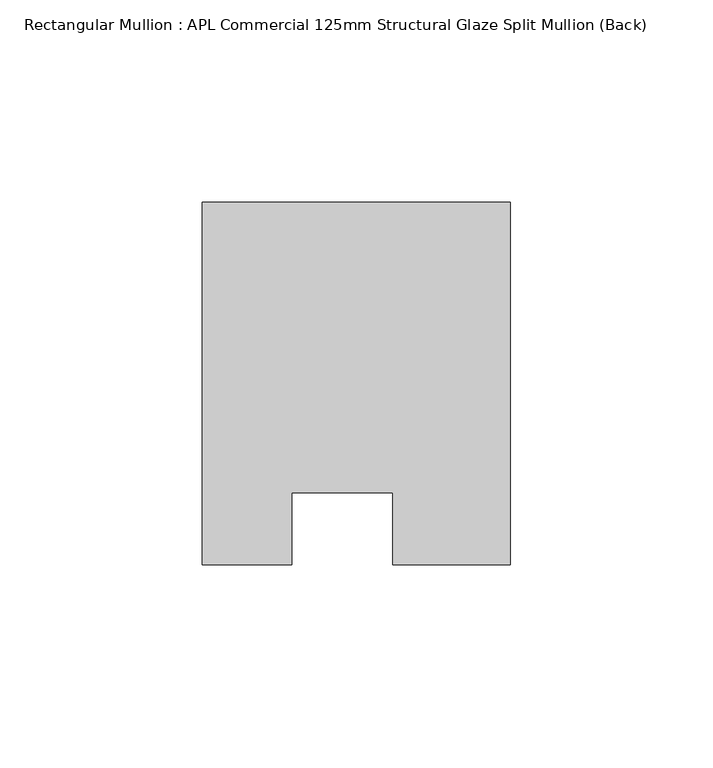
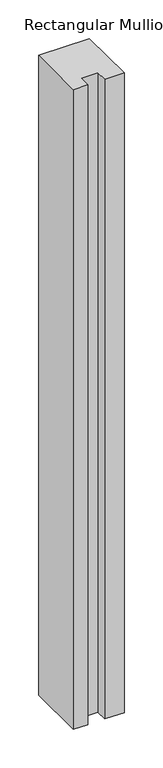
"""IFC4 building model written with IfcOpenShell, lengths in millimetres: member geometry, Rectangular Mullion : APL Commercial 125mm Structural Glaze Split Mullion (Back)."""

import ifcopenshell
import ifcopenshell.guid

model = None  # the IFC model being written
_history = None  # IfcOwnerHistory: only IFC2X3 demands one
_inside = {}  # id of a spatial element -> (the spatial element, [elements in it])
_under = {}  # id of a project, library or spatial element -> (it, [spatial elements below it])
_declared = {}  # id of a project -> (the project, [libraries it declares])
_typed = {}  # id of a type object -> (the type object, [elements of that type])
_made_of = {}  # id of a material, layer set ... -> (it, [elements and type objects made of it])


def new_model(schema):
    """Start an empty IFC model of exactly this schema.

    Asked for "IFC4X3", IfcOpenShell would pick the latest addendum, in which some entities
    have other attributes; the version numbers below select the first issue.
    IFC2X3 requires an IfcOwnerHistory on every rooted entity: one is made here for all.
    """
    global model, _history
    if schema == "IFC4X3":
        model = ifcopenshell.file(schema_version=(4, 3, 0, 0))
    else:
        model = ifcopenshell.file(schema=schema)
    _inside.clear()
    _under.clear()
    _declared.clear()
    _typed.clear()
    _made_of.clear()
    _history = None
    if model.schema == "IFC2X3":
        org = make("IfcOrganization", Name="unknown")
        user = make(
            "IfcPersonAndOrganization",
            ThePerson=make("IfcPerson", FamilyName="unknown"),
            TheOrganization=org,
        )
        app = make(
            "IfcApplication",
            ApplicationDeveloper=org,
            Version="unknown",
            ApplicationFullName="unknown",
            ApplicationIdentifier="unknown",
        )
        _history = make(
            "IfcOwnerHistory",
            OwningUser=user,
            OwningApplication=app,
            ChangeAction="ADDED",
            CreationDate=0,
        )
    return model


def make(cls, **values):
    """One entity of the class cls with the attributes given. An attribute that is None is left unset."""
    return model.create_entity(
        cls, **{name: value for name, value in values.items() if value is not None}
    )


def rooted(cls, **values):
    """An entity with a GlobalId (a new one), such as an element, a storey or a relation."""
    return make(cls, GlobalId=ifcopenshell.guid.new(), OwnerHistory=_history, **values)


def si_unit(unit_type, name, prefix=None):
    """IfcSIUnit, for example si_unit("LENGTHUNIT", "METRE", prefix="MILLI")."""
    return make("IfcSIUnit", UnitType=unit_type, Prefix=prefix, Name=name)


def assignment(units):
    """IfcUnitAssignment: the units of a project."""
    return None if units is None else make("IfcUnitAssignment", Units=units)


def point(xyz):
    """IfcCartesianPoint."""
    return None if xyz is None else make("IfcCartesianPoint", Coordinates=xyz)


def direction(xyz):
    """IfcDirection."""
    return None if xyz is None else make("IfcDirection", DirectionRatios=xyz)


def frame(location, z_axis=None, x_axis=None):
    """IfcAxis2Placement3D, a coordinate frame: its origin and axes. An axis left out is left unset."""
    return make(
        "IfcAxis2Placement3D",
        Location=point(location),
        Axis=direction(z_axis),
        RefDirection=direction(x_axis),
    )


def origin():
    """The frame at (0, 0, 0) with its axes left unset."""
    return frame((0.0, 0.0, 0.0))


def place(relative_to, where):
    """IfcLocalPlacement: puts the frame where relative to a parent placement (None: the world)."""
    return make(
        "IfcLocalPlacement", PlacementRelTo=relative_to, RelativePlacement=where
    )


def context(
    kind, dimensions, precision=None, world=None, true_north=None, identifier=None
):
    """IfcGeometricRepresentationContext, for example the 3D "Model" context."""
    return make(
        "IfcGeometricRepresentationContext",
        ContextIdentifier=identifier,
        ContextType=kind,
        CoordinateSpaceDimension=dimensions,
        Precision=precision,
        WorldCoordinateSystem=world,
        TrueNorth=true_north,
    )


def project(units=None, contexts=None):
    """IfcProject with its units and contexts."""
    return rooted(
        "IfcProject",
        Name="project",
        RepresentationContexts=contexts,
        UnitsInContext=assignment(units),
    )


def spatial(cls, under=None, at=None, **own):
    """A site, building, storey or space (cls), placed at a placement, below another one or the project."""
    s = rooted(cls, ObjectPlacement=at, **own)
    if under is not None:
        _under.setdefault(under.id(), (under, []))[1].append(s)
    return s


def polyline(points):
    """IfcPolyline through the points."""
    return make("IfcPolyline", Points=[point(p) for p in points])


def outline(outer, holes=None, kind="AREA"):
    """IfcArbitraryClosedProfileDef: a profile drawn as a closed curve; with holes, ...WithVoids."""
    if holes is None:
        return make("IfcArbitraryClosedProfileDef", ProfileType=kind, OuterCurve=outer)
    return make(
        "IfcArbitraryProfileDefWithVoids",
        ProfileType=kind,
        OuterCurve=outer,
        InnerCurves=holes,
    )


def extrude(swept, where, along, depth):
    """IfcExtrudedAreaSolid: the profile swept, set in the frame where, extruded along a direction by depth."""
    return make(
        "IfcExtrudedAreaSolid",
        SweptArea=swept,
        Position=where,
        ExtrudedDirection=direction(along),
        Depth=depth,
    )


def shape(context_of_items, identifier, shape_type, items):
    """IfcShapeRepresentation: the items that make up one representation, for example the "Body"."""
    return make(
        "IfcShapeRepresentation",
        ContextOfItems=context_of_items,
        RepresentationIdentifier=identifier,
        RepresentationType=shape_type,
        Items=items,
    )


def source(mapping_origin, context_of_items, identifier, shape_type, items):
    """IfcRepresentationMap: a shape defined once, which mapped items show again and again."""
    return make(
        "IfcRepresentationMap",
        MappingOrigin=mapping_origin,
        MappedRepresentation=shape(context_of_items, identifier, shape_type, items),
    )


def transform(
    local_origin,
    x_axis=None,
    y_axis=None,
    z_axis=None,
    scale=None,
    scale2=None,
    scale3=None,
    uniform=True,
):
    """IfcCartesianTransformationOperator3D, or its non-uniform kind. x_axis, y_axis, z_axis: its Axis1, 2, 3."""
    if uniform:
        return make(
            "IfcCartesianTransformationOperator3D",
            Axis1=direction(x_axis),
            Axis2=direction(y_axis),
            LocalOrigin=point(local_origin),
            Scale=scale,
            Axis3=direction(z_axis),
        )
    return make(
        "IfcCartesianTransformationOperator3DnonUniform",
        Axis1=direction(x_axis),
        Axis2=direction(y_axis),
        LocalOrigin=point(local_origin),
        Scale=scale,
        Axis3=direction(z_axis),
        Scale2=scale2,
        Scale3=scale3,
    )


def mapped(mapping_source, mapping_target):
    """IfcMappedItem: shows the shape of a source again, moved by a transform."""
    return make(
        "IfcMappedItem", MappingSource=mapping_source, MappingTarget=mapping_target
    )


def made_of(thing, what):
    """Note that an element or type object is made of a material, layer set ...; save() writes the relation."""
    if what is not None:
        _made_of.setdefault(what.id(), (what, []))[1].append(thing)
    return thing


def element(
    cls,
    number,
    at=None,
    inside=None,
    cuts=None,
    type_object=None,
    material=None,
    context=None,
    identifier="Body",
    shape_type=None,
    held_by="IfcProductDefinitionShape",
    body=None,
    shapes=None,
    **own,
):
    """One element of the class cls, such as IfcWall. Its Tag is "e" and its number.

    at: its placement. inside: the storey or other place that contains it. cuts: it is an
    opening in that element (IfcRelVoidsElement). A single representation is given by context,
    identifier, shape_type and body (its items); several are given by shapes. held_by: the class
    of the entity that holds the representations. save() writes the other relations.
    """
    e = rooted(cls, Tag="e%d" % number, ObjectPlacement=at, **own)
    if body is not None:
        shapes = [shape(context, identifier, shape_type, body)]
    if shapes is not None:
        e.Representation = make(held_by, Representations=shapes)
    if inside is not None:
        _inside.setdefault(inside.id(), (inside, []))[1].append(e)
    if cuts is not None:
        rooted(
            "IfcRelVoidsElement", RelatingBuildingElement=cuts, RelatedOpeningElement=e
        )
    if type_object is not None:
        _typed.setdefault(type_object.id(), (type_object, []))[1].append(e)
    return made_of(e, material)


def aggregate(whole, parts):
    """IfcRelAggregates: a whole, such as a stair, and the parts it consists of."""
    return rooted("IfcRelAggregates", RelatingObject=whole, RelatedObjects=parts)


def save(model, path):
    """Write the relations noted so far, then the file.

    IfcRelAggregates (storeys below a building ...), IfcRelContainedInSpatialStructure (elements
    in a storey), IfcRelDefinesByType, IfcRelAssociatesMaterial and IfcRelDeclares: one each for
    every whole, place, type object, material and project.
    """
    for whole, parts in _under.values():
        aggregate(whole, parts)
    for where, things in _inside.values():
        rooted(
            "IfcRelContainedInSpatialStructure",
            RelatedElements=things,
            RelatingStructure=where,
        )
    for kind, things in _typed.values():
        rooted("IfcRelDefinesByType", RelatedObjects=things, RelatingType=kind)
    for what, things in _made_of.values():
        rooted("IfcRelAssociatesMaterial", RelatedObjects=things, RelatingMaterial=what)
    for by, libraries in _declared.values():
        rooted("IfcRelDeclares", RelatingContext=by, RelatedDefinitions=libraries)
    model.write(path)


def rectangular_mullion_apl_commercial_125mm_structural_glaze_7bc5bca3(model_context):
    return source(origin(), model_context, "Body", "SweptSolid", [
        extrude(outline(polyline([(37.9999914, 104.4960123), (37.9999914, 14.9960123), (9.0, 14.9960123), (9.0, 32.7960123), (-16.0, 32.7960123), (-16.0, 14.9960123), (-37.9999896, 14.9960123), (-37.9999896, 104.4960123), (37.9999914, 104.4960123)])), frame((0.0, 0.0, -1010.8333342), z_axis=(0.0, 0.0, 1.0), x_axis=(1.0, 0.0, 0.0)), (0.0, 0.0, 1.0), 1010.8333342),
    ])


if __name__ == "__main__":
    model = new_model("IFC4")
    model_context = context("Model", 3, world=origin())
    ifc_project = project(units=[si_unit("LENGTHUNIT", "METRE", prefix="MILLI")], contexts=[model_context])
    site = spatial("IfcSite", under=ifc_project)
    building = spatial("IfcBuilding", under=site)
    placement = place(None, origin())
    rectangular_mullion_apl_commercial_125mm_structural_glaze_shape = rectangular_mullion_apl_commercial_125mm_structural_glaze_7bc5bca3(model_context)
    element("IfcMember", 1, ObjectType="Rectangular Mullion : APL Commercial 125mm Structural Glaze Split Mullion (Back)", at=placement, inside=building, context=model_context, shape_type="MappedRepresentation", body=[
        mapped(rectangular_mullion_apl_commercial_125mm_structural_glaze_shape, transform((0.0, 0.0, 0.0), x_axis=(1.0, 0.0, 0.0), y_axis=(0.0, 1.0, 0.0), z_axis=(0.0, 0.0, 1.0))),
    ])
    save(model, "model.ifc")
